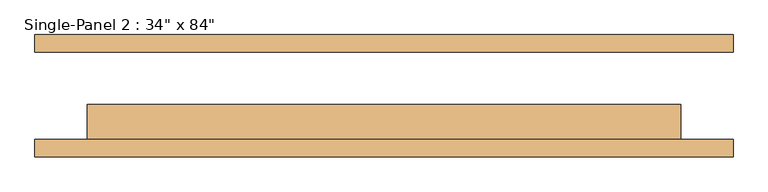
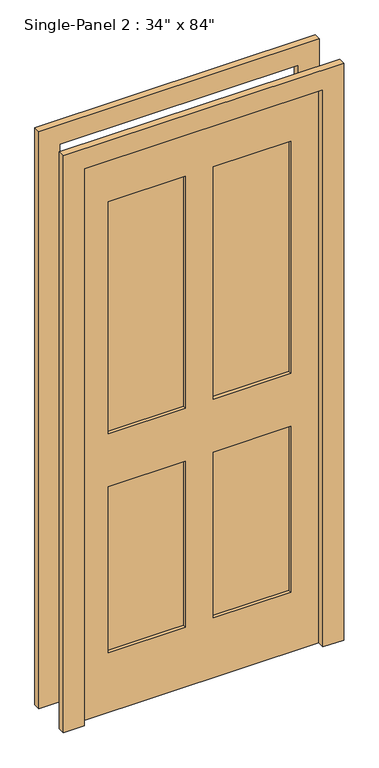
"""IFC4 building model written with IfcOpenShell, lengths in millimetres: door geometry."""

import ifcopenshell
import ifcopenshell.guid

model = None  # the IFC model being written
_history = None  # IfcOwnerHistory: only IFC2X3 demands one
_inside = {}  # id of a spatial element -> (the spatial element, [elements in it])
_under = {}  # id of a project, library or spatial element -> (it, [spatial elements below it])
_declared = {}  # id of a project -> (the project, [libraries it declares])
_typed = {}  # id of a type object -> (the type object, [elements of that type])
_made_of = {}  # id of a material, layer set ... -> (it, [elements and type objects made of it])


def new_model(schema):
    """Start an empty IFC model of exactly this schema.

    Asked for "IFC4X3", IfcOpenShell would pick the latest addendum, in which some entities
    have other attributes; the version numbers below select the first issue.
    IFC2X3 requires an IfcOwnerHistory on every rooted entity: one is made here for all.
    """
    global model, _history
    if schema == "IFC4X3":
        model = ifcopenshell.file(schema_version=(4, 3, 0, 0))
    else:
        model = ifcopenshell.file(schema=schema)
    _inside.clear()
    _under.clear()
    _declared.clear()
    _typed.clear()
    _made_of.clear()
    _history = None
    if model.schema == "IFC2X3":
        org = make("IfcOrganization", Name="unknown")
        user = make(
            "IfcPersonAndOrganization",
            ThePerson=make("IfcPerson", FamilyName="unknown"),
            TheOrganization=org,
        )
        app = make(
            "IfcApplication",
            ApplicationDeveloper=org,
            Version="unknown",
            ApplicationFullName="unknown",
            ApplicationIdentifier="unknown",
        )
        _history = make(
            "IfcOwnerHistory",
            OwningUser=user,
            OwningApplication=app,
            ChangeAction="ADDED",
            CreationDate=0,
        )
    return model


def make(cls, **values):
    """One entity of the class cls with the attributes given. An attribute that is None is left unset."""
    return model.create_entity(
        cls, **{name: value for name, value in values.items() if value is not None}
    )


def rooted(cls, **values):
    """An entity with a GlobalId (a new one), such as an element, a storey or a relation."""
    return make(cls, GlobalId=ifcopenshell.guid.new(), OwnerHistory=_history, **values)


def si_unit(unit_type, name, prefix=None):
    """IfcSIUnit, for example si_unit("LENGTHUNIT", "METRE", prefix="MILLI")."""
    return make("IfcSIUnit", UnitType=unit_type, Prefix=prefix, Name=name)


def assignment(units):
    """IfcUnitAssignment: the units of a project."""
    return None if units is None else make("IfcUnitAssignment", Units=units)


def point(xyz):
    """IfcCartesianPoint."""
    return None if xyz is None else make("IfcCartesianPoint", Coordinates=xyz)


def direction(xyz):
    """IfcDirection."""
    return None if xyz is None else make("IfcDirection", DirectionRatios=xyz)


def frame(location, z_axis=None, x_axis=None):
    """IfcAxis2Placement3D, a coordinate frame: its origin and axes. An axis left out is left unset."""
    return make(
        "IfcAxis2Placement3D",
        Location=point(location),
        Axis=direction(z_axis),
        RefDirection=direction(x_axis),
    )


def origin():
    """The frame at (0, 0, 0) with its axes left unset."""
    return frame((0.0, 0.0, 0.0))


def place(relative_to, where):
    """IfcLocalPlacement: puts the frame where relative to a parent placement (None: the world)."""
    return make(
        "IfcLocalPlacement", PlacementRelTo=relative_to, RelativePlacement=where
    )


def context(
    kind, dimensions, precision=None, world=None, true_north=None, identifier=None
):
    """IfcGeometricRepresentationContext, for example the 3D "Model" context."""
    return make(
        "IfcGeometricRepresentationContext",
        ContextIdentifier=identifier,
        ContextType=kind,
        CoordinateSpaceDimension=dimensions,
        Precision=precision,
        WorldCoordinateSystem=world,
        TrueNorth=true_north,
    )


def project(units=None, contexts=None):
    """IfcProject with its units and contexts."""
    return rooted(
        "IfcProject",
        Name="project",
        RepresentationContexts=contexts,
        UnitsInContext=assignment(units),
    )


def spatial(cls, under=None, at=None, **own):
    """A site, building, storey or space (cls), placed at a placement, below another one or the project."""
    s = rooted(cls, ObjectPlacement=at, **own)
    if under is not None:
        _under.setdefault(under.id(), (under, []))[1].append(s)
    return s


def polyline(points):
    """IfcPolyline through the points."""
    return make("IfcPolyline", Points=[point(p) for p in points])


def outline(outer, holes=None, kind="AREA"):
    """IfcArbitraryClosedProfileDef: a profile drawn as a closed curve; with holes, ...WithVoids."""
    if holes is None:
        return make("IfcArbitraryClosedProfileDef", ProfileType=kind, OuterCurve=outer)
    return make(
        "IfcArbitraryProfileDefWithVoids",
        ProfileType=kind,
        OuterCurve=outer,
        InnerCurves=holes,
    )


def extrude(swept, where, along, depth):
    """IfcExtrudedAreaSolid: the profile swept, set in the frame where, extruded along a direction by depth."""
    return make(
        "IfcExtrudedAreaSolid",
        SweptArea=swept,
        Position=where,
        ExtrudedDirection=direction(along),
        Depth=depth,
    )


def shape(context_of_items, identifier, shape_type, items):
    """IfcShapeRepresentation: the items that make up one representation, for example the "Body"."""
    return make(
        "IfcShapeRepresentation",
        ContextOfItems=context_of_items,
        RepresentationIdentifier=identifier,
        RepresentationType=shape_type,
        Items=items,
    )


def source(mapping_origin, context_of_items, identifier, shape_type, items):
    """IfcRepresentationMap: a shape defined once, which mapped items show again and again."""
    return make(
        "IfcRepresentationMap",
        MappingOrigin=mapping_origin,
        MappedRepresentation=shape(context_of_items, identifier, shape_type, items),
    )


def transform(
    local_origin,
    x_axis=None,
    y_axis=None,
    z_axis=None,
    scale=None,
    scale2=None,
    scale3=None,
    uniform=True,
):
    """IfcCartesianTransformationOperator3D, or its non-uniform kind. x_axis, y_axis, z_axis: its Axis1, 2, 3."""
    if uniform:
        return make(
            "IfcCartesianTransformationOperator3D",
            Axis1=direction(x_axis),
            Axis2=direction(y_axis),
            LocalOrigin=point(local_origin),
            Scale=scale,
            Axis3=direction(z_axis),
        )
    return make(
        "IfcCartesianTransformationOperator3DnonUniform",
        Axis1=direction(x_axis),
        Axis2=direction(y_axis),
        LocalOrigin=point(local_origin),
        Scale=scale,
        Axis3=direction(z_axis),
        Scale2=scale2,
        Scale3=scale3,
    )


def mapped(mapping_source, mapping_target):
    """IfcMappedItem: shows the shape of a source again, moved by a transform."""
    return make(
        "IfcMappedItem", MappingSource=mapping_source, MappingTarget=mapping_target
    )


def made_of(thing, what):
    """Note that an element or type object is made of a material, layer set ...; save() writes the relation."""
    if what is not None:
        _made_of.setdefault(what.id(), (what, []))[1].append(thing)
    return thing


def element(
    cls,
    number,
    at=None,
    inside=None,
    cuts=None,
    type_object=None,
    material=None,
    context=None,
    identifier="Body",
    shape_type=None,
    held_by="IfcProductDefinitionShape",
    body=None,
    shapes=None,
    **own,
):
    """One element of the class cls, such as IfcWall. Its Tag is "e" and its number.

    at: its placement. inside: the storey or other place that contains it. cuts: it is an
    opening in that element (IfcRelVoidsElement). A single representation is given by context,
    identifier, shape_type and body (its items); several are given by shapes. held_by: the class
    of the entity that holds the representations. save() writes the other relations.
    """
    e = rooted(cls, Tag="e%d" % number, ObjectPlacement=at, **own)
    if body is not None:
        shapes = [shape(context, identifier, shape_type, body)]
    if shapes is not None:
        e.Representation = make(held_by, Representations=shapes)
    if inside is not None:
        _inside.setdefault(inside.id(), (inside, []))[1].append(e)
    if cuts is not None:
        rooted(
            "IfcRelVoidsElement", RelatingBuildingElement=cuts, RelatedOpeningElement=e
        )
    if type_object is not None:
        _typed.setdefault(type_object.id(), (type_object, []))[1].append(e)
    return made_of(e, material)


def aggregate(whole, parts):
    """IfcRelAggregates: a whole, such as a stair, and the parts it consists of."""
    return rooted("IfcRelAggregates", RelatingObject=whole, RelatedObjects=parts)


def save(model, path):
    """Write the relations noted so far, then the file.

    IfcRelAggregates (storeys below a building ...), IfcRelContainedInSpatialStructure (elements
    in a storey), IfcRelDefinesByType, IfcRelAssociatesMaterial and IfcRelDeclares: one each for
    every whole, place, type object, material and project.
    """
    for whole, parts in _under.values():
        aggregate(whole, parts)
    for where, things in _inside.values():
        rooted(
            "IfcRelContainedInSpatialStructure",
            RelatedElements=things,
            RelatingStructure=where,
        )
    for kind, things in _typed.values():
        rooted("IfcRelDefinesByType", RelatedObjects=things, RelatingType=kind)
    for what, things in _made_of.values():
        rooted("IfcRelAssociatesMaterial", RelatedObjects=things, RelatingMaterial=what)
    for by, libraries in _declared.values():
        rooted("IfcRelDeclares", RelatingContext=by, RelatedDefinitions=libraries)
    model.write(path)


def door_2d6e4989(model_context):
    return source(origin(), model_context, "Body", "SweptSolid", [
        extrude(outline(polyline([(-50.9240165, -25.4), (-50.9240165, -50.8), (-329.6511799, -50.8), (-329.6511799, -25.4), (-50.9240165, -25.4)])), frame((0.0, 0.0, 1068.1906173), z_axis=(0.0, 0.0, 1.0), x_axis=(1.0, 0.0, 0.0)), (0.0, 0.0, 1.0), 889.2046757),
        extrude(outline(polyline([(330.7488201, -25.4), (330.7488201, -50.8), (50.6759835, -50.8), (50.6759835, -25.4), (330.7488201, -25.4)])), frame((0.0, 0.0, 1068.1906173), z_axis=(0.0, 0.0, 1.0), x_axis=(1.0, 0.0, 0.0)), (0.0, 0.0, 1.0), 889.2046757),
        extrude(outline(polyline([(-50.9240165, -25.4), (-50.9240165, -50.8), (-329.6511799, -50.8), (-329.6511799, -25.4), (-50.9240165, -25.4)])), frame((0.0, 0.0, 230.195293), z_axis=(0.0, 0.0, 1.0), x_axis=(1.0, 0.0, 0.0)), (0.0, 0.0, 1.0), 635.0),
        extrude(outline(polyline([(330.7488201, -25.4), (330.7488201, -50.8), (50.6759835, -50.8), (50.6759835, -25.4), (330.7488201, -25.4)])), frame((0.0, 0.0, 230.195293), z_axis=(0.0, 0.0, 1.0), x_axis=(1.0, 0.0, 0.0)), (0.0, 0.0, 1.0), 634.7953243),
        extrude(outline(polyline([(2209.8, -508.0), (1.3906173, -508.0), (1.3906173, -431.9240165), (2134.9906173, -431.9240165), (2134.9906173, 431.6759835), (1.3906173, 431.6759835), (0.0, 508.0), (2209.8, 508.0), (2209.8, -508.0)])), frame((0.0, -88.9, 0.0), z_axis=(0.0, 1.0, 0.0), x_axis=(0.0, 0.0, 1.0)), (0.0, 0.0, 1.0), 25.4),
        extrude(outline(polyline([(2209.8, 508.0), (2209.8, -508.0), (1.3906173, -508.0), (1.3906173, -431.9240165), (2134.9906173, -431.9240165), (2134.9906173, 431.6759835), (1.3906173, 431.6759835), (0.0, 508.0), (2209.8, 508.0)])), frame((0.0, 63.5, 0.0), z_axis=(0.0, 1.0, 0.0), x_axis=(0.0, 0.0, 1.0)), (0.0, 0.0, 1.0), 25.4),
        extrude(outline(polyline([(2134.9906173, 431.6759835), (2134.9906173, -431.9240165), (1.3906173, -431.9240165), (1.3906173, 431.6759835), (2134.9906173, 431.6759835)]), holes=[polyline([(1957.395293, -50.9240165), (1068.1906173, -50.9240165), (1068.1906173, -329.6511799), (1957.395293, -329.6511799), (1957.395293, -50.9240165)]), polyline([(1957.395293, 330.7488201), (1068.1906173, 330.7488201), (1068.1906173, 50.6759835), (1957.395293, 50.6759835), (1957.395293, 330.7488201)]), polyline([(865.195293, -50.9240165), (230.195293, -50.9240165), (230.195293, -329.6511799), (865.195293, -329.6511799), (865.195293, -50.9240165)]), polyline([(864.9906173, 330.7488201), (230.195293, 330.7488201), (230.195293, 50.6759835), (864.9906173, 50.6759835), (864.9906173, 330.7488201)])]), frame((0.0, -63.5, 0.0), z_axis=(0.0, 1.0, 0.0), x_axis=(0.0, 0.0, 1.0)), (0.0, 0.0, 1.0), 50.8),
    ])


if __name__ == "__main__":
    model = new_model("IFC4")
    model_context = context("Model", 3, world=origin())
    ifc_project = project(units=[si_unit("LENGTHUNIT", "METRE", prefix="MILLI")], contexts=[model_context])
    site = spatial("IfcSite", under=ifc_project)
    building = spatial("IfcBuilding", under=site)
    placement = place(None, origin())
    door_shape = door_2d6e4989(model_context)
    element("IfcDoor", 1, ObjectType="Single-Panel 2 : 34\" x 84\"", at=placement, inside=building, context=model_context, shape_type="MappedRepresentation", body=[
        mapped(door_shape, transform((0.0, 0.0, 0.0), x_axis=(1.0, 0.0, 0.0), y_axis=(0.0, 1.0, 0.0), z_axis=(0.0, 0.0, 1.0))),
    ])
    save(model, "model.ifc")
